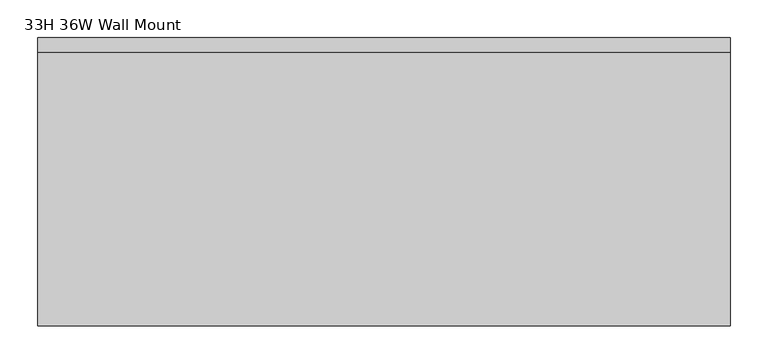
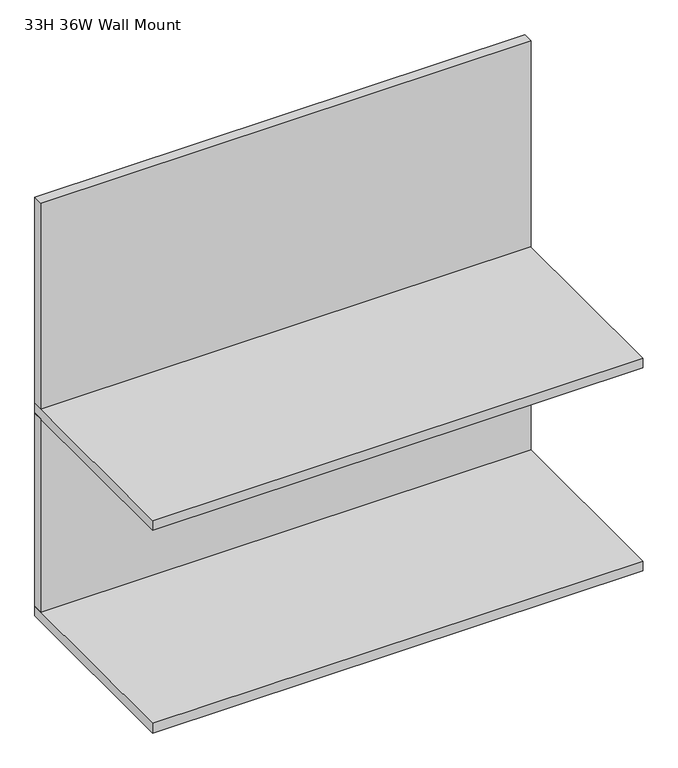
"""IFC4 building model written with IfcOpenShell, lengths in millimetres: furniture geometry, 33H 36W Wall Mount."""

import ifcopenshell
import ifcopenshell.guid

model = None  # the IFC model being written
_history = None  # IfcOwnerHistory: only IFC2X3 demands one
_inside = {}  # id of a spatial element -> (the spatial element, [elements in it])
_under = {}  # id of a project, library or spatial element -> (it, [spatial elements below it])
_declared = {}  # id of a project -> (the project, [libraries it declares])
_typed = {}  # id of a type object -> (the type object, [elements of that type])
_made_of = {}  # id of a material, layer set ... -> (it, [elements and type objects made of it])


def new_model(schema):
    """Start an empty IFC model of exactly this schema.

    Asked for "IFC4X3", IfcOpenShell would pick the latest addendum, in which some entities
    have other attributes; the version numbers below select the first issue.
    IFC2X3 requires an IfcOwnerHistory on every rooted entity: one is made here for all.
    """
    global model, _history
    if schema == "IFC4X3":
        model = ifcopenshell.file(schema_version=(4, 3, 0, 0))
    else:
        model = ifcopenshell.file(schema=schema)
    _inside.clear()
    _under.clear()
    _declared.clear()
    _typed.clear()
    _made_of.clear()
    _history = None
    if model.schema == "IFC2X3":
        org = make("IfcOrganization", Name="unknown")
        user = make(
            "IfcPersonAndOrganization",
            ThePerson=make("IfcPerson", FamilyName="unknown"),
            TheOrganization=org,
        )
        app = make(
            "IfcApplication",
            ApplicationDeveloper=org,
            Version="unknown",
            ApplicationFullName="unknown",
            ApplicationIdentifier="unknown",
        )
        _history = make(
            "IfcOwnerHistory",
            OwningUser=user,
            OwningApplication=app,
            ChangeAction="ADDED",
            CreationDate=0,
        )
    return model


def make(cls, **values):
    """One entity of the class cls with the attributes given. An attribute that is None is left unset."""
    return model.create_entity(
        cls, **{name: value for name, value in values.items() if value is not None}
    )


def rooted(cls, **values):
    """An entity with a GlobalId (a new one), such as an element, a storey or a relation."""
    return make(cls, GlobalId=ifcopenshell.guid.new(), OwnerHistory=_history, **values)


def si_unit(unit_type, name, prefix=None):
    """IfcSIUnit, for example si_unit("LENGTHUNIT", "METRE", prefix="MILLI")."""
    return make("IfcSIUnit", UnitType=unit_type, Prefix=prefix, Name=name)


def assignment(units):
    """IfcUnitAssignment: the units of a project."""
    return None if units is None else make("IfcUnitAssignment", Units=units)


def point(xyz):
    """IfcCartesianPoint."""
    return None if xyz is None else make("IfcCartesianPoint", Coordinates=xyz)


def direction(xyz):
    """IfcDirection."""
    return None if xyz is None else make("IfcDirection", DirectionRatios=xyz)


def frame(location, z_axis=None, x_axis=None):
    """IfcAxis2Placement3D, a coordinate frame: its origin and axes. An axis left out is left unset."""
    return make(
        "IfcAxis2Placement3D",
        Location=point(location),
        Axis=direction(z_axis),
        RefDirection=direction(x_axis),
    )


def origin():
    """The frame at (0, 0, 0) with its axes left unset."""
    return frame((0.0, 0.0, 0.0))


def place(relative_to, where):
    """IfcLocalPlacement: puts the frame where relative to a parent placement (None: the world)."""
    return make(
        "IfcLocalPlacement", PlacementRelTo=relative_to, RelativePlacement=where
    )


def context(
    kind, dimensions, precision=None, world=None, true_north=None, identifier=None
):
    """IfcGeometricRepresentationContext, for example the 3D "Model" context."""
    return make(
        "IfcGeometricRepresentationContext",
        ContextIdentifier=identifier,
        ContextType=kind,
        CoordinateSpaceDimension=dimensions,
        Precision=precision,
        WorldCoordinateSystem=world,
        TrueNorth=true_north,
    )


def project(units=None, contexts=None):
    """IfcProject with its units and contexts."""
    return rooted(
        "IfcProject",
        Name="project",
        RepresentationContexts=contexts,
        UnitsInContext=assignment(units),
    )


def spatial(cls, under=None, at=None, **own):
    """A site, building, storey or space (cls), placed at a placement, below another one or the project."""
    s = rooted(cls, ObjectPlacement=at, **own)
    if under is not None:
        _under.setdefault(under.id(), (under, []))[1].append(s)
    return s


def polyline(points):
    """IfcPolyline through the points."""
    return make("IfcPolyline", Points=[point(p) for p in points])


def outline(outer, holes=None, kind="AREA"):
    """IfcArbitraryClosedProfileDef: a profile drawn as a closed curve; with holes, ...WithVoids."""
    if holes is None:
        return make("IfcArbitraryClosedProfileDef", ProfileType=kind, OuterCurve=outer)
    return make(
        "IfcArbitraryProfileDefWithVoids",
        ProfileType=kind,
        OuterCurve=outer,
        InnerCurves=holes,
    )


def extrude(swept, where, along, depth):
    """IfcExtrudedAreaSolid: the profile swept, set in the frame where, extruded along a direction by depth."""
    return make(
        "IfcExtrudedAreaSolid",
        SweptArea=swept,
        Position=where,
        ExtrudedDirection=direction(along),
        Depth=depth,
    )


def shape(context_of_items, identifier, shape_type, items):
    """IfcShapeRepresentation: the items that make up one representation, for example the "Body"."""
    return make(
        "IfcShapeRepresentation",
        ContextOfItems=context_of_items,
        RepresentationIdentifier=identifier,
        RepresentationType=shape_type,
        Items=items,
    )


def source(mapping_origin, context_of_items, identifier, shape_type, items):
    """IfcRepresentationMap: a shape defined once, which mapped items show again and again."""
    return make(
        "IfcRepresentationMap",
        MappingOrigin=mapping_origin,
        MappedRepresentation=shape(context_of_items, identifier, shape_type, items),
    )


def transform(
    local_origin,
    x_axis=None,
    y_axis=None,
    z_axis=None,
    scale=None,
    scale2=None,
    scale3=None,
    uniform=True,
):
    """IfcCartesianTransformationOperator3D, or its non-uniform kind. x_axis, y_axis, z_axis: its Axis1, 2, 3."""
    if uniform:
        return make(
            "IfcCartesianTransformationOperator3D",
            Axis1=direction(x_axis),
            Axis2=direction(y_axis),
            LocalOrigin=point(local_origin),
            Scale=scale,
            Axis3=direction(z_axis),
        )
    return make(
        "IfcCartesianTransformationOperator3DnonUniform",
        Axis1=direction(x_axis),
        Axis2=direction(y_axis),
        LocalOrigin=point(local_origin),
        Scale=scale,
        Axis3=direction(z_axis),
        Scale2=scale2,
        Scale3=scale3,
    )


def mapped(mapping_source, mapping_target):
    """IfcMappedItem: shows the shape of a source again, moved by a transform."""
    return make(
        "IfcMappedItem", MappingSource=mapping_source, MappingTarget=mapping_target
    )


def made_of(thing, what):
    """Note that an element or type object is made of a material, layer set ...; save() writes the relation."""
    if what is not None:
        _made_of.setdefault(what.id(), (what, []))[1].append(thing)
    return thing


def element(
    cls,
    number,
    at=None,
    inside=None,
    cuts=None,
    type_object=None,
    material=None,
    context=None,
    identifier="Body",
    shape_type=None,
    held_by="IfcProductDefinitionShape",
    body=None,
    shapes=None,
    **own,
):
    """One element of the class cls, such as IfcWall. Its Tag is "e" and its number.

    at: its placement. inside: the storey or other place that contains it. cuts: it is an
    opening in that element (IfcRelVoidsElement). A single representation is given by context,
    identifier, shape_type and body (its items); several are given by shapes. held_by: the class
    of the entity that holds the representations. save() writes the other relations.
    """
    e = rooted(cls, Tag="e%d" % number, ObjectPlacement=at, **own)
    if body is not None:
        shapes = [shape(context, identifier, shape_type, body)]
    if shapes is not None:
        e.Representation = make(held_by, Representations=shapes)
    if inside is not None:
        _inside.setdefault(inside.id(), (inside, []))[1].append(e)
    if cuts is not None:
        rooted(
            "IfcRelVoidsElement", RelatingBuildingElement=cuts, RelatedOpeningElement=e
        )
    if type_object is not None:
        _typed.setdefault(type_object.id(), (type_object, []))[1].append(e)
    return made_of(e, material)


def aggregate(whole, parts):
    """IfcRelAggregates: a whole, such as a stair, and the parts it consists of."""
    return rooted("IfcRelAggregates", RelatingObject=whole, RelatedObjects=parts)


def save(model, path):
    """Write the relations noted so far, then the file.

    IfcRelAggregates (storeys below a building ...), IfcRelContainedInSpatialStructure (elements
    in a storey), IfcRelDefinesByType, IfcRelAssociatesMaterial and IfcRelDeclares: one each for
    every whole, place, type object, material and project.
    """
    for whole, parts in _under.values():
        aggregate(whole, parts)
    for where, things in _inside.values():
        rooted(
            "IfcRelContainedInSpatialStructure",
            RelatedElements=things,
            RelatingStructure=where,
        )
    for kind, things in _typed.values():
        rooted("IfcRelDefinesByType", RelatedObjects=things, RelatingType=kind)
    for what, things in _made_of.values():
        rooted("IfcRelAssociatesMaterial", RelatedObjects=things, RelatingMaterial=what)
    for by, libraries in _declared.values():
        rooted("IfcRelDeclares", RelatingContext=by, RelatedDefinitions=libraries)
    model.write(path)


def furniture_33h_36w_wall_mount_f9a76cb7(model_context):
    return source(origin(), model_context, "Body", "SweptSolid", [
        extrude(outline(polyline([(444.5, -12.7), (444.5, -31.75), (-469.9, -31.75), (-469.9, -12.7), (444.5, -12.7)])), frame((0.0, 0.0, 1250.95), z_axis=(0.0, 0.0, 1.0), x_axis=(1.0, 0.0, 0.0)), (0.0, 0.0, 1.0), 381.0),
        extrude(outline(polyline([(444.5, -12.7), (444.5, -393.7), (-469.9, -393.7), (-469.9, -12.7), (444.5, -12.7)])), frame((0.0, 0.0, 1231.9), z_axis=(0.0, 0.0, 1.0), x_axis=(1.0, 0.0, 0.0)), (0.0, 0.0, 1.0), 19.05),
        extrude(outline(polyline([(444.5, -12.7), (444.5, -393.7), (-469.9, -393.7), (-469.9, -12.7), (444.5, -12.7)])), frame((0.0, 0.0, 1631.95), z_axis=(0.0, 0.0, 1.0), x_axis=(1.0, 0.0, 0.0)), (0.0, 0.0, 1.0), 19.05),
        extrude(outline(polyline([(444.5, -12.7), (444.5, -31.75), (-469.9, -31.75), (-469.9, -12.7), (444.5, -12.7)])), frame((0.0, 0.0, 1651.0), z_axis=(0.0, 0.0, 1.0), x_axis=(1.0, 0.0, 0.0)), (0.0, 0.0, 1.0), 406.4),
    ])


if __name__ == "__main__":
    model = new_model("IFC4")
    model_context = context("Model", 3, world=origin())
    ifc_project = project(units=[si_unit("LENGTHUNIT", "METRE", prefix="MILLI")], contexts=[model_context])
    site = spatial("IfcSite", under=ifc_project)
    building = spatial("IfcBuilding", under=site)
    placement = place(None, origin())
    furniture_33h_36w_wall_mount_shape = furniture_33h_36w_wall_mount_f9a76cb7(model_context)
    element("IfcFurniture", 1, ObjectType="33H 36W Wall Mount", at=placement, inside=building, context=model_context, shape_type="MappedRepresentation", body=[
        mapped(furniture_33h_36w_wall_mount_shape, transform((0.0, 0.0, 0.0), x_axis=(1.0, 0.0, 0.0), y_axis=(0.0, 1.0, 0.0), z_axis=(0.0, 0.0, 1.0))),
    ])
    save(model, "model.ifc")
